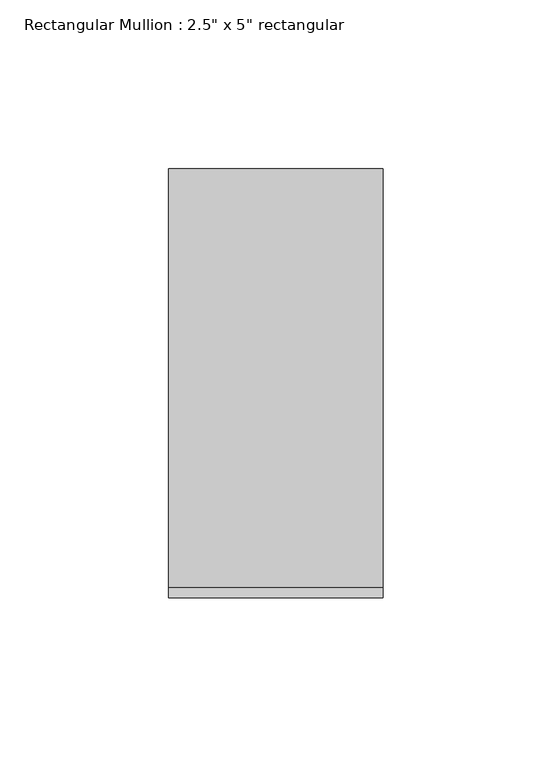
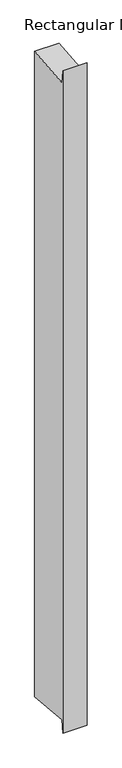
"""IFC4 building model written with IfcOpenShell, lengths in millimetres: member geometry."""

from ifc_helpers import new_model, si_unit, frame, origin, place, context, project, spatial, polyline, outline, extrude, source, transform, mapped, element, save


def member_2d390c13(model_context):
    return source(origin(), model_context, "Body", "SweptSolid", [
        extrude(outline(polyline([(-63.5, 28.8510219), (-60.3429067, -5.6538247), (63.5, 5.6774415), (63.5, -1770.9774415), (-60.3429067, -1759.6461753), (-63.5, -1794.1510219), (-63.5, 28.8510219)])), frame((-63.5, 0.0, 0.0), z_axis=(1.0, 0.0, 0.0), x_axis=(0.0, 1.0, 0.0)), (0.0, 0.0, 1.0), 63.5),
    ])


if __name__ == "__main__":
    model = new_model("IFC4")
    model_context = context("Model", 3, world=origin())
    ifc_project = project(units=[si_unit("LENGTHUNIT", "METRE", prefix="MILLI")], contexts=[model_context])
    site = spatial("IfcSite", under=ifc_project)
    building = spatial("IfcBuilding", under=site)
    placement = place(None, origin())
    member_shape = member_2d390c13(model_context)
    element("IfcMember", 1, ObjectType="Rectangular Mullion : 2.5\" x 5\" rectangular", at=placement, inside=building, context=model_context, shape_type="MappedRepresentation", body=[
        mapped(member_shape, transform((0.0, 0.0, 0.0), x_axis=(1.0, 0.0, 0.0), y_axis=(0.0, 1.0, 0.0), z_axis=(0.0, 0.0, 1.0))),
    ])
    save(model, "model.ifc")
